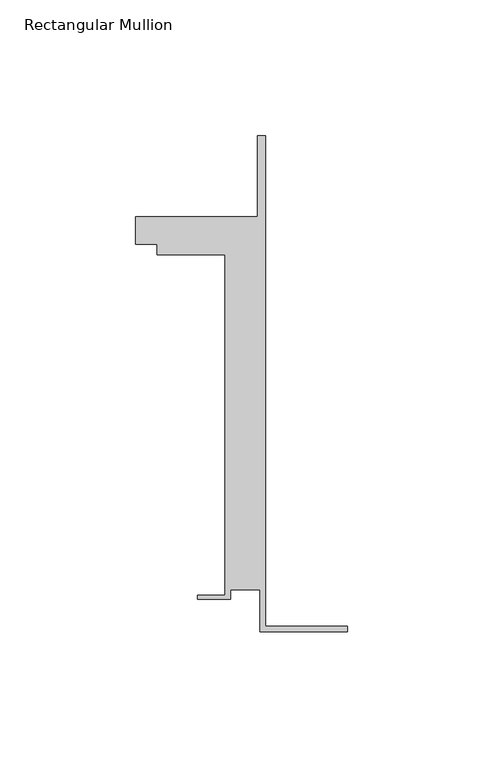
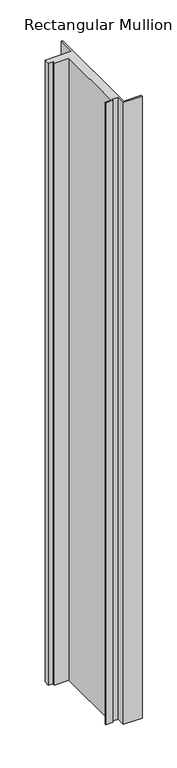
"""IFC4 building model written with IfcOpenShell, lengths in millimetres: member geometry, Rectangular Mullion."""

from ifc_helpers import new_model, si_unit, frame, origin, place, context, project, spatial, polyline, outline, extrude, source, transform, mapped, element, save


def rectangular_mullion_0114f3cb(model_context):
    return source(origin(), model_context, "Body", "SweptSolid", [
        extrude(outline(polyline([(-32.1465839, -41.25), (-32.1465839, -25.75), (-43.1465839, -25.75), (-43.1465839, -29.25), (-55.1465839, -29.25), (-55.1465839, -27.75), (-45.1465839, -27.75), (-45.1465839, 97.75), (-70.1466122, 97.75), (-70.1466122, 101.75), (-78.1466122, 101.75), (-78.1466122, 111.75), (-33.1466122, 111.75), (-33.1466122, 141.75), (-30.1465839, 141.75), (-30.1465839, -39.25), (0.0, -39.25), (0.0, -41.25), (-32.1465839, -41.25)])), frame((0.0, 0.0, -1128.1214923), z_axis=(0.0, 0.0, 1.0), x_axis=(1.0, 0.0, 0.0)), (0.0, 0.0, 1.0), 1128.1214923),
    ])


if __name__ == "__main__":
    model = new_model("IFC4")
    model_context = context("Model", 3, world=origin())
    ifc_project = project(units=[si_unit("LENGTHUNIT", "METRE", prefix="MILLI")], contexts=[model_context])
    site = spatial("IfcSite", under=ifc_project)
    building = spatial("IfcBuilding", under=site)
    placement = place(None, origin())
    rectangular_mullion_shape = rectangular_mullion_0114f3cb(model_context)
    element("IfcMember", 1, ObjectType="Rectangular Mullion", at=placement, inside=building, context=model_context, shape_type="MappedRepresentation", body=[
        mapped(rectangular_mullion_shape, transform((0.0, 0.0, 0.0), x_axis=(1.0, 0.0, 0.0), y_axis=(0.0, 1.0, 0.0), z_axis=(0.0, 0.0, 1.0))),
    ])
    save(model, "model.ifc")
